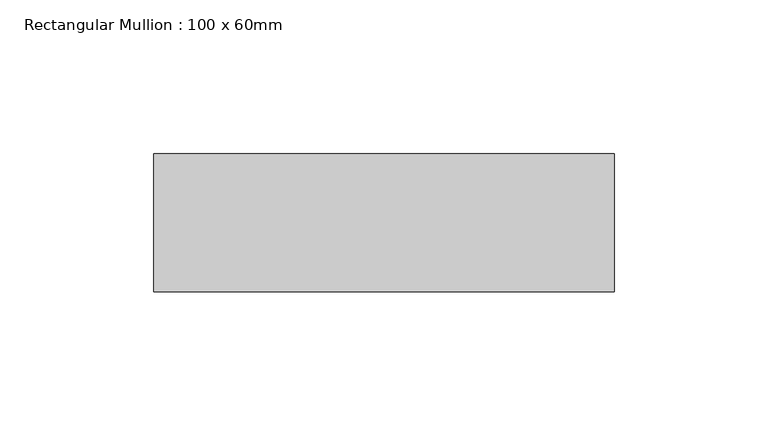
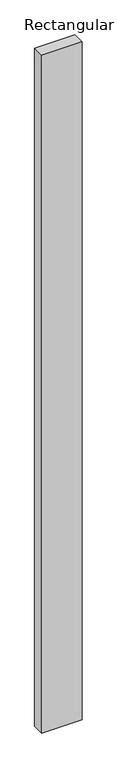
"""IFC4 building model written with IfcOpenShell, lengths in millimetres: member geometry, Rectangular Mullion : 100 x 60mm."""

from ifc_helpers import new_model, si_unit, frame, origin, place, context, project, spatial, polyline, outline, extrude, source, transform, mapped, element, save


def rectangular_mullion_100_x_60mm_47469e4c(model_context):
    return source(origin(), model_context, "Body", "SweptSolid", [
        extrude(outline(polyline([(-150.0, 30.0), (0.0, 30.0), (0.0, -15.0), (-150.0, -15.0), (-150.0, 30.0)])), frame((0.0, 0.0, -2666.6666667), z_axis=(0.0, 0.0, 1.0), x_axis=(1.0, 0.0, 0.0)), (0.0, 0.0, 1.0), 2666.6666667),
    ])


if __name__ == "__main__":
    model = new_model("IFC4")
    model_context = context("Model", 3, world=origin())
    ifc_project = project(units=[si_unit("LENGTHUNIT", "METRE", prefix="MILLI")], contexts=[model_context])
    site = spatial("IfcSite", under=ifc_project)
    building = spatial("IfcBuilding", under=site)
    placement = place(None, origin())
    rectangular_mullion_100_x_60mm_shape = rectangular_mullion_100_x_60mm_47469e4c(model_context)
    element("IfcMember", 1, ObjectType="Rectangular Mullion : 100 x 60mm", at=placement, inside=building, context=model_context, shape_type="MappedRepresentation", body=[
        mapped(rectangular_mullion_100_x_60mm_shape, transform((0.0, 0.0, 0.0), x_axis=(1.0, 0.0, 0.0), y_axis=(0.0, 1.0, 0.0), z_axis=(0.0, 0.0, 1.0))),
    ])
    save(model, "model.ifc")
